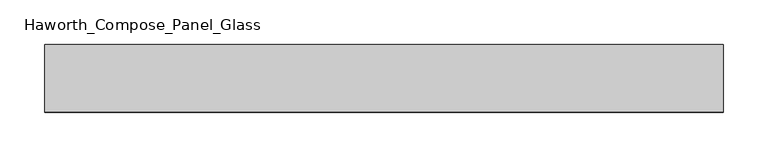
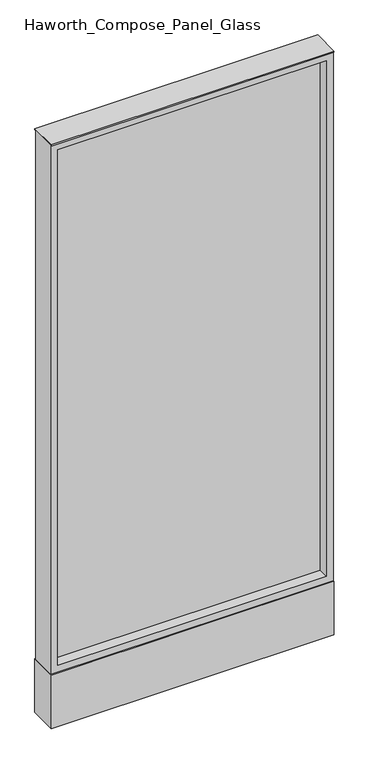
"""IFC4 building model written with IfcOpenShell, lengths in millimetres: furniture geometry, Haworth_Compose_Panel_Glass."""

from ifc_helpers import new_model, si_unit, point, frame, frame_2d, origin, origin_with_axes, place, context, project, spatial, polyline, circle_curve, trimmed, segment, composite_curve, outline, extrude, source, transform, mapped, element, save


def haworth_compose_panel_glass_c94de04d(model_context):
    return source(origin(), model_context, "Body", "SweptSolid", [
        extrude(outline(composite_curve([segment(trimmed(circle_curve(frame_2d((307.2402902, 0.0)), 12.7), [point((294.5402902, 0.0))], [point((319.9402902, 0.0))], False, "CARTESIAN"), True, "CONTINUOUS"), segment(trimmed(circle_curve(frame_2d((307.2402902, 0.0)), 12.7), [point((319.9402902, 0.0))], [point((294.5402902, 0.0))], False, "CARTESIAN"), True, "CONTINUOUS")], self_intersect=False)), origin_with_axes(), (0.0, 0.0, 1.0), 12.7),
        extrude(outline(composite_curve([segment(trimmed(circle_curve(frame_2d((-302.3597098, 0.0)), 12.7), [point((-315.0597098, 0.0))], [point((-289.6597098, 0.0))], False, "CARTESIAN"), True, "CONTINUOUS"), segment(trimmed(circle_curve(frame_2d((-302.3597098, 0.0)), 12.7), [point((-289.6597098, 0.0))], [point((-315.0597098, 0.0))], False, "CARTESIAN"), True, "CONTINUOUS")], self_intersect=False)), origin_with_axes(), (0.0, 0.0, 1.0), 12.7),
        extrude(outline(polyline([(364.3902902, -6.35), (-359.5097098, -6.35), (-359.5097098, 6.35), (364.3902902, 6.35), (364.3902902, -6.35)])), frame((0.0, 0.0, 184.15), z_axis=(0.0, 0.0, 1.0), x_axis=(1.0, 0.0, 0.0)), (0.0, 0.0, 1.0), 1466.85),
        extrude(outline(polyline([(1670.05, -378.5597098), (165.1, -378.5597098), (165.1, 383.4402902), (1670.05, 383.4402902), (1670.05, -378.5597098)]), holes=[polyline([(1651.0, 364.3902902), (184.15, 364.3902902), (184.15, -359.5097098), (1651.0, -359.5097098), (1651.0, 364.3902902)])]), frame((0.0, -34.925, 0.0), z_axis=(0.0, 1.0, 0.0), x_axis=(0.0, 0.0, 1.0)), (0.0, 0.0, 1.0), 69.85),
        extrude(outline(polyline([(-378.5597098, 38.1), (383.4402902, 38.1), (383.4402902, -38.1), (-378.5597098, -38.1), (-378.5597098, 38.1)])), frame((0.0, 0.0, 12.7), z_axis=(0.0, 0.0, 1.0), x_axis=(1.0, 0.0, 0.0)), (0.0, 0.0, 1.0), 152.4),
        extrude(outline(polyline([(-378.5597098, -38.1), (-378.5597098, 38.1), (383.4402902, 38.1), (383.4402902, -38.1), (-378.5597098, -38.1)])), frame((0.0, 0.0, 1670.05), z_axis=(0.0, 0.0, 1.0), x_axis=(1.0, 0.0, 0.0)), (0.0, 0.0, 1.0), 3.175),
    ])


if __name__ == "__main__":
    model = new_model("IFC4")
    model_context = context("Model", 3, world=origin())
    ifc_project = project(units=[si_unit("LENGTHUNIT", "METRE", prefix="MILLI")], contexts=[model_context])
    site = spatial("IfcSite", under=ifc_project)
    building = spatial("IfcBuilding", under=site)
    placement = place(None, origin())
    haworth_compose_panel_glass_shape = haworth_compose_panel_glass_c94de04d(model_context)
    element("IfcFurniture", 1, ObjectType="Haworth_Compose_Panel_Glass", at=placement, inside=building, context=model_context, shape_type="MappedRepresentation", body=[
        mapped(haworth_compose_panel_glass_shape, transform((0.0, 0.0, 0.0), x_axis=(1.0, 0.0, 0.0), y_axis=(0.0, 1.0, 0.0), z_axis=(0.0, 0.0, 1.0))),
    ])
    save(model, "model.ifc")
